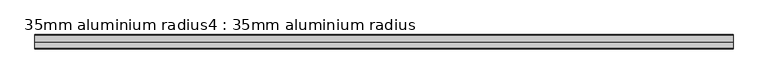
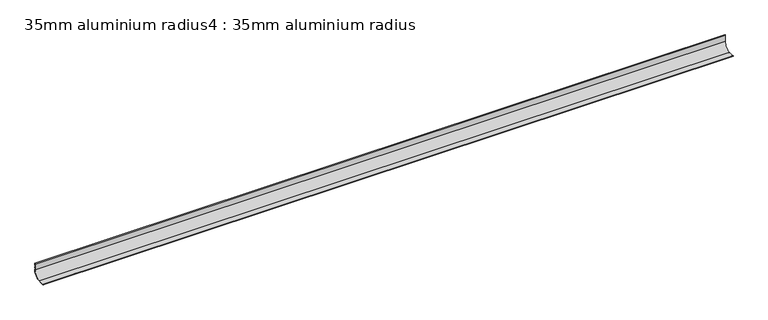
"""IFC4 building model written with IfcOpenShell, lengths in millimetres: proxy geometry, 35mm aluminium radius4 : 35mm aluminium radius."""

import ifcopenshell
import ifcopenshell.guid

model = None  # the IFC model being written
_history = None  # IfcOwnerHistory: only IFC2X3 demands one
_inside = {}  # id of a spatial element -> (the spatial element, [elements in it])
_under = {}  # id of a project, library or spatial element -> (it, [spatial elements below it])
_declared = {}  # id of a project -> (the project, [libraries it declares])
_typed = {}  # id of a type object -> (the type object, [elements of that type])
_made_of = {}  # id of a material, layer set ... -> (it, [elements and type objects made of it])


def new_model(schema):
    """Start an empty IFC model of exactly this schema.

    Asked for "IFC4X3", IfcOpenShell would pick the latest addendum, in which some entities
    have other attributes; the version numbers below select the first issue.
    IFC2X3 requires an IfcOwnerHistory on every rooted entity: one is made here for all.
    """
    global model, _history
    if schema == "IFC4X3":
        model = ifcopenshell.file(schema_version=(4, 3, 0, 0))
    else:
        model = ifcopenshell.file(schema=schema)
    _inside.clear()
    _under.clear()
    _declared.clear()
    _typed.clear()
    _made_of.clear()
    _history = None
    if model.schema == "IFC2X3":
        org = make("IfcOrganization", Name="unknown")
        user = make(
            "IfcPersonAndOrganization",
            ThePerson=make("IfcPerson", FamilyName="unknown"),
            TheOrganization=org,
        )
        app = make(
            "IfcApplication",
            ApplicationDeveloper=org,
            Version="unknown",
            ApplicationFullName="unknown",
            ApplicationIdentifier="unknown",
        )
        _history = make(
            "IfcOwnerHistory",
            OwningUser=user,
            OwningApplication=app,
            ChangeAction="ADDED",
            CreationDate=0,
        )
    return model


def make(cls, **values):
    """One entity of the class cls with the attributes given. An attribute that is None is left unset."""
    return model.create_entity(
        cls, **{name: value for name, value in values.items() if value is not None}
    )


def rooted(cls, **values):
    """An entity with a GlobalId (a new one), such as an element, a storey or a relation."""
    return make(cls, GlobalId=ifcopenshell.guid.new(), OwnerHistory=_history, **values)


def si_unit(unit_type, name, prefix=None):
    """IfcSIUnit, for example si_unit("LENGTHUNIT", "METRE", prefix="MILLI")."""
    return make("IfcSIUnit", UnitType=unit_type, Prefix=prefix, Name=name)


def assignment(units):
    """IfcUnitAssignment: the units of a project."""
    return None if units is None else make("IfcUnitAssignment", Units=units)


def point(xyz):
    """IfcCartesianPoint."""
    return None if xyz is None else make("IfcCartesianPoint", Coordinates=xyz)


def direction(xyz):
    """IfcDirection."""
    return None if xyz is None else make("IfcDirection", DirectionRatios=xyz)


def frame(location, z_axis=None, x_axis=None):
    """IfcAxis2Placement3D, a coordinate frame: its origin and axes. An axis left out is left unset."""
    return make(
        "IfcAxis2Placement3D",
        Location=point(location),
        Axis=direction(z_axis),
        RefDirection=direction(x_axis),
    )


def frame_2d(location, x_axis=None):
    """IfcAxis2Placement2D, a coordinate frame in the plane: its origin and x axis."""
    return make(
        "IfcAxis2Placement2D", Location=point(location), RefDirection=direction(x_axis)
    )


def origin():
    """The frame at (0, 0, 0) with its axes left unset."""
    return frame((0.0, 0.0, 0.0))


def place(relative_to, where):
    """IfcLocalPlacement: puts the frame where relative to a parent placement (None: the world)."""
    return make(
        "IfcLocalPlacement", PlacementRelTo=relative_to, RelativePlacement=where
    )


def context(
    kind, dimensions, precision=None, world=None, true_north=None, identifier=None
):
    """IfcGeometricRepresentationContext, for example the 3D "Model" context."""
    return make(
        "IfcGeometricRepresentationContext",
        ContextIdentifier=identifier,
        ContextType=kind,
        CoordinateSpaceDimension=dimensions,
        Precision=precision,
        WorldCoordinateSystem=world,
        TrueNorth=true_north,
    )


def project(units=None, contexts=None):
    """IfcProject with its units and contexts."""
    return rooted(
        "IfcProject",
        Name="project",
        RepresentationContexts=contexts,
        UnitsInContext=assignment(units),
    )


def spatial(cls, under=None, at=None, **own):
    """A site, building, storey or space (cls), placed at a placement, below another one or the project."""
    s = rooted(cls, ObjectPlacement=at, **own)
    if under is not None:
        _under.setdefault(under.id(), (under, []))[1].append(s)
    return s


def polyline(points):
    """IfcPolyline through the points."""
    return make("IfcPolyline", Points=[point(p) for p in points])


def circle_curve(where, radius):
    """IfcCircle in the frame where."""
    return make("IfcCircle", Position=where, Radius=radius)


def trimmed(basis, trim1, trim2, sense, master):
    """IfcTrimmedCurve: the piece of a basis curve between two trims."""
    return make(
        "IfcTrimmedCurve",
        BasisCurve=basis,
        Trim1=trim1,
        Trim2=trim2,
        SenseAgreement=sense,
        MasterRepresentation=master,
    )


def segment(curve, same_sense, transition):
    """IfcCompositeCurveSegment."""
    return make(
        "IfcCompositeCurveSegment",
        Transition=transition,
        SameSense=same_sense,
        ParentCurve=curve,
    )


def composite_curve(segments, self_intersect=None):
    """IfcCompositeCurve: segments joined end to end."""
    return make("IfcCompositeCurve", Segments=segments, SelfIntersect=self_intersect)


def outline(outer, holes=None, kind="AREA"):
    """IfcArbitraryClosedProfileDef: a profile drawn as a closed curve; with holes, ...WithVoids."""
    if holes is None:
        return make("IfcArbitraryClosedProfileDef", ProfileType=kind, OuterCurve=outer)
    return make(
        "IfcArbitraryProfileDefWithVoids",
        ProfileType=kind,
        OuterCurve=outer,
        InnerCurves=holes,
    )


def extrude(swept, where, along, depth):
    """IfcExtrudedAreaSolid: the profile swept, set in the frame where, extruded along a direction by depth."""
    return make(
        "IfcExtrudedAreaSolid",
        SweptArea=swept,
        Position=where,
        ExtrudedDirection=direction(along),
        Depth=depth,
    )


def shape(context_of_items, identifier, shape_type, items):
    """IfcShapeRepresentation: the items that make up one representation, for example the "Body"."""
    return make(
        "IfcShapeRepresentation",
        ContextOfItems=context_of_items,
        RepresentationIdentifier=identifier,
        RepresentationType=shape_type,
        Items=items,
    )


def source(mapping_origin, context_of_items, identifier, shape_type, items):
    """IfcRepresentationMap: a shape defined once, which mapped items show again and again."""
    return make(
        "IfcRepresentationMap",
        MappingOrigin=mapping_origin,
        MappedRepresentation=shape(context_of_items, identifier, shape_type, items),
    )


def transform(
    local_origin,
    x_axis=None,
    y_axis=None,
    z_axis=None,
    scale=None,
    scale2=None,
    scale3=None,
    uniform=True,
):
    """IfcCartesianTransformationOperator3D, or its non-uniform kind. x_axis, y_axis, z_axis: its Axis1, 2, 3."""
    if uniform:
        return make(
            "IfcCartesianTransformationOperator3D",
            Axis1=direction(x_axis),
            Axis2=direction(y_axis),
            LocalOrigin=point(local_origin),
            Scale=scale,
            Axis3=direction(z_axis),
        )
    return make(
        "IfcCartesianTransformationOperator3DnonUniform",
        Axis1=direction(x_axis),
        Axis2=direction(y_axis),
        LocalOrigin=point(local_origin),
        Scale=scale,
        Axis3=direction(z_axis),
        Scale2=scale2,
        Scale3=scale3,
    )


def mapped(mapping_source, mapping_target):
    """IfcMappedItem: shows the shape of a source again, moved by a transform."""
    return make(
        "IfcMappedItem", MappingSource=mapping_source, MappingTarget=mapping_target
    )


def made_of(thing, what):
    """Note that an element or type object is made of a material, layer set ...; save() writes the relation."""
    if what is not None:
        _made_of.setdefault(what.id(), (what, []))[1].append(thing)
    return thing


def element(
    cls,
    number,
    at=None,
    inside=None,
    cuts=None,
    type_object=None,
    material=None,
    context=None,
    identifier="Body",
    shape_type=None,
    held_by="IfcProductDefinitionShape",
    body=None,
    shapes=None,
    **own,
):
    """One element of the class cls, such as IfcWall. Its Tag is "e" and its number.

    at: its placement. inside: the storey or other place that contains it. cuts: it is an
    opening in that element (IfcRelVoidsElement). A single representation is given by context,
    identifier, shape_type and body (its items); several are given by shapes. held_by: the class
    of the entity that holds the representations. save() writes the other relations.
    """
    e = rooted(cls, Tag="e%d" % number, ObjectPlacement=at, **own)
    if body is not None:
        shapes = [shape(context, identifier, shape_type, body)]
    if shapes is not None:
        e.Representation = make(held_by, Representations=shapes)
    if inside is not None:
        _inside.setdefault(inside.id(), (inside, []))[1].append(e)
    if cuts is not None:
        rooted(
            "IfcRelVoidsElement", RelatingBuildingElement=cuts, RelatedOpeningElement=e
        )
    if type_object is not None:
        _typed.setdefault(type_object.id(), (type_object, []))[1].append(e)
    return made_of(e, material)


def aggregate(whole, parts):
    """IfcRelAggregates: a whole, such as a stair, and the parts it consists of."""
    return rooted("IfcRelAggregates", RelatingObject=whole, RelatedObjects=parts)


def save(model, path):
    """Write the relations noted so far, then the file.

    IfcRelAggregates (storeys below a building ...), IfcRelContainedInSpatialStructure (elements
    in a storey), IfcRelDefinesByType, IfcRelAssociatesMaterial and IfcRelDeclares: one each for
    every whole, place, type object, material and project.
    """
    for whole, parts in _under.values():
        aggregate(whole, parts)
    for where, things in _inside.values():
        rooted(
            "IfcRelContainedInSpatialStructure",
            RelatedElements=things,
            RelatingStructure=where,
        )
    for kind, things in _typed.values():
        rooted("IfcRelDefinesByType", RelatedObjects=things, RelatingType=kind)
    for what, things in _made_of.values():
        rooted("IfcRelAssociatesMaterial", RelatedObjects=things, RelatingMaterial=what)
    for by, libraries in _declared.values():
        rooted("IfcRelDeclares", RelatingContext=by, RelatedDefinitions=libraries)
    model.write(path)


def proxy_35mm_aluminium_radius4_35mm_aluminium_radius_bf7fe4ca(model_context):
    return source(origin(), model_context, "Body", "SweptSolid", [
        extrude(outline(composite_curve([segment(trimmed(circle_curve(frame_2d((740.7708491, 12.7246863)), 3.9), [point((740.1503008, 16.5750006))], [point((737.3423799, 14.5836105))], True, "CARTESIAN"), True, "CONTINUOUS"), segment(trimmed(circle_curve(frame_2d((714.4753008, 25.675)), 25.415), [point((737.3423799, 14.5836105))], [point((725.5666903, 2.807921))], False, "CARTESIAN"), True, "CONTINUOUS"), segment(trimmed(circle_curve(frame_2d((727.4256145, -0.6205482)), 3.9), [point((725.5666903, 2.807921))], [point((723.5753003, 0.0))], True, "CARTESIAN"), True, "CONTINUOUS"), segment(polyline([(723.5753003, 0.0), (712.3628008, 0.0), (711.5078008, 0.855), (707.3678008, 0.855), (706.5128008, 0.0), (704.0753008, 0.0), (703.2203008, 0.855), (699.0803008, 0.855), (698.2253008, 0.0), (691.4003008, 0.0)]), True, "CONTINUOUS"), segment(trimmed(circle_curve(frame_2d((692.7003008, 0.0)), 1.3), [point((691.4003008, 0.0))], [point((692.7003008, 1.3))], False, "CARTESIAN"), True, "CONTINUOUS"), segment(polyline([(692.7003008, 1.3), (714.4753008, 1.3)]), True, "CONTINUOUS"), segment(trimmed(circle_curve(frame_2d((714.4753008, 25.675)), 24.375), [point((714.4753008, 1.3))], [point((738.8503008, 25.675))], True, "CARTESIAN"), True, "CONTINUOUS"), segment(polyline([(738.8503008, 25.675), (738.8503008, 47.45)]), True, "CONTINUOUS"), segment(trimmed(circle_curve(frame_2d((740.1503008, 47.45)), 1.3), [point((738.8503008, 47.45))], [point((740.1503008, 48.75))], False, "CARTESIAN"), True, "CONTINUOUS"), segment(polyline([(740.1503008, 48.75), (740.1503008, 41.925), (739.2953008, 41.07), (739.2953008, 36.93), (740.1503008, 36.075), (740.1503008, 33.6375), (739.2953008, 32.7825), (739.2953008, 28.6425), (740.1503008, 27.7875), (740.1503008, 16.5750006)]), True, "CONTINUOUS")], self_intersect=False)), frame((-2635.3690716, 0.0, 0.0), z_axis=(1.0, 0.0, 0.0), x_axis=(0.0, 1.0, 0.0)), (0.0, 0.0, 1.0), 2400.0),
    ])


if __name__ == "__main__":
    model = new_model("IFC4")
    model_context = context("Model", 3, world=origin())
    ifc_project = project(units=[si_unit("LENGTHUNIT", "METRE", prefix="MILLI")], contexts=[model_context])
    site = spatial("IfcSite", under=ifc_project)
    building = spatial("IfcBuilding", under=site)
    placement = place(None, origin())
    proxy_35mm_aluminium_radius4_35mm_aluminium_radius_shape = proxy_35mm_aluminium_radius4_35mm_aluminium_radius_bf7fe4ca(model_context)
    element("IfcBuildingElementProxy", 1, Name="35mm aluminium radius4 : 35mm aluminium radius", ObjectType="35mm aluminium radius4 : 35mm aluminium radius", at=placement, inside=building, context=model_context, shape_type="MappedRepresentation", body=[
        mapped(proxy_35mm_aluminium_radius4_35mm_aluminium_radius_shape, transform((0.0, 0.0, 0.0), x_axis=(1.0, 0.0, 0.0), y_axis=(0.0, 1.0, 0.0), z_axis=(0.0, 0.0, 1.0))),
    ])
    save(model, "model.ifc")
